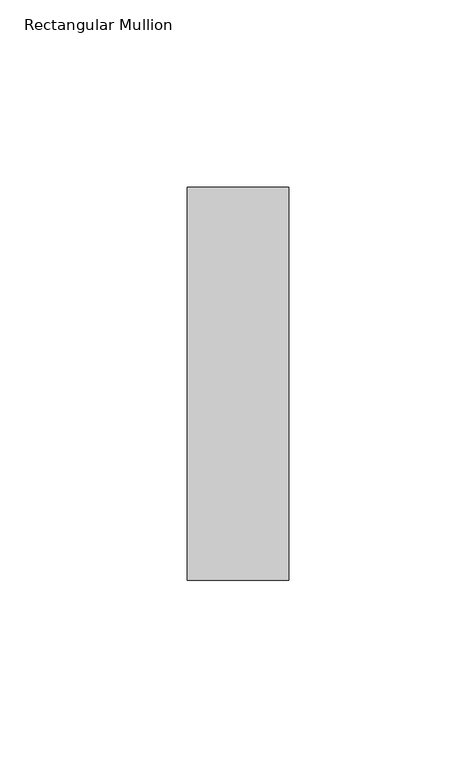
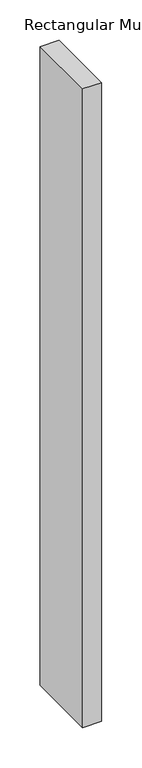
"""IFC4 building model written with IfcOpenShell, lengths in millimetres: member geometry, Rectangular Mullion."""

from ifc_helpers import new_model, si_unit, frame, origin, place, context, project, spatial, polyline, outline, extrude, source, transform, mapped, element, save


def rectangular_mullion_9f43d727(model_context):
    return source(origin(), model_context, "Body", "SweptSolid", [
        extrude(outline(polyline([(-27.0, 52.3975), (0.0, 52.3975), (0.0, -52.3975), (-27.0, -52.3975), (-27.0, 52.3975)])), frame((0.0, 0.0, -963.0), z_axis=(0.0, 0.0, 1.0), x_axis=(1.0, 0.0, 0.0)), (0.0, 0.0, 1.0), 963.0),
    ])


if __name__ == "__main__":
    model = new_model("IFC4")
    model_context = context("Model", 3, world=origin())
    ifc_project = project(units=[si_unit("LENGTHUNIT", "METRE", prefix="MILLI")], contexts=[model_context])
    site = spatial("IfcSite", under=ifc_project)
    building = spatial("IfcBuilding", under=site)
    placement = place(None, origin())
    rectangular_mullion_shape = rectangular_mullion_9f43d727(model_context)
    element("IfcMember", 1, ObjectType="Rectangular Mullion", at=placement, inside=building, context=model_context, shape_type="MappedRepresentation", body=[
        mapped(rectangular_mullion_shape, transform((0.0, 0.0, 0.0), x_axis=(1.0, 0.0, 0.0), y_axis=(0.0, 1.0, 0.0), z_axis=(0.0, 0.0, 1.0))),
    ])
    save(model, "model.ifc")
